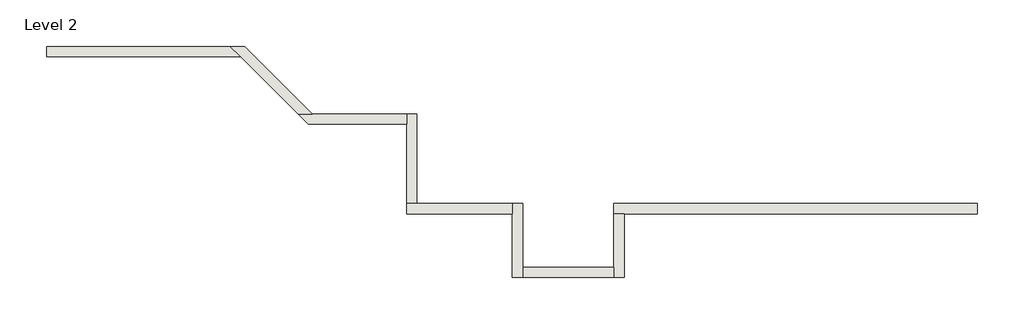
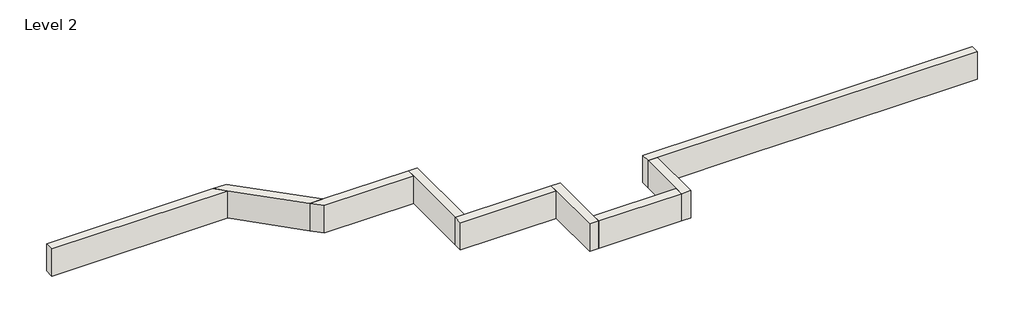
# One storey: 9 walls.
"""IFC4 building model written with IfcOpenShell, lengths in millimetres."""

from ifc_helpers import new_model, si_unit, frame, origin, place, context, project, spatial, polyline, outline, extrude, faceted_brep, element, save

model = new_model("IFC4")

# Units and contexts
model_context = context("Model", 3, world=origin())
ifc_project = project(units=[si_unit("LENGTHUNIT", "METRE", prefix="MILLI")], contexts=[model_context])

# Site, building, storey
site = spatial("IfcSite", under=ifc_project)
building = spatial("IfcBuilding", under=site)
storey = spatial("IfcBuildingStorey", under=building, Name="Level 2", Elevation=3048.0)

# Walls
placement = place(None, origin())
element("IfcWall", 1, ObjectType="Generic - 8\" Brick", at=placement, inside=storey, context=model_context, shape_type="Brep", body=[
    faceted_brep([(8889.929282, 1412.8726187, 3048.0), (8280.329282, 1412.8726187, 3048.0), (5181.529282, 1412.8726187, 3048.0), (4153.0141138, 1412.8726187, 3048.0), (1939.882857, 1412.8726187, 3048.0), (1939.882857, 1412.8726187, 3657.6), (8889.929282, 1412.8726187, 3657.6), (8889.929282, 1219.1976187, 3048.0), (8889.929282, 1219.1976187, 3657.6), (2133.557857, 1219.1976187, 3657.6), (1939.882857, 1219.1976187, 3657.6), (1939.882857, 1219.1976187, 3048.0), (2133.557857, 1219.1976187, 3048.0), (4153.0141138, 1219.1976187, 3048.0), (5181.529282, 1219.1976187, 3048.0), (8280.329282, 1219.1976187, 3048.0)], [[[0, 1, 2, 3, 4, 5, 6]], [[7, 8, 9, 10, 11, 12, 13, 14, 15]], [[4, 3, 2, 1, 0, 7, 15, 14, 13, 12, 11]], [[6, 5, 10, 9, 8]], [[0, 6, 8, 7]], [[5, 4, 11, 10]]]),
])
element("IfcWall", 2, ObjectType="Generic - 8\" Brick", at=placement, inside=storey, context=model_context, shape_type="Brep", body=[
    faceted_brep([(1939.882857, 1219.1976187, 3048.0), (1939.882857, 193.675, 3048.0), (1939.882857, 0.0, 3048.0), (1939.882857, 0.0, 3657.6), (1939.882857, 193.675, 3657.6), (1939.882857, 1219.1976187, 3657.6), (2133.557857, 1219.1976187, 3048.0), (2133.557857, 1219.1976187, 3657.6), (2133.557857, 0.0, 3657.6), (2133.557857, 0.0, 3048.0)], [[[0, 1, 2, 3, 4, 5]], [[6, 7, 8, 9]], [[2, 1, 0, 6, 9]], [[5, 4, 3, 8, 7]], [[0, 5, 7, 6]], [[3, 2, 9, 8]]]),
])
element("IfcWall", 3, ObjectType="Generic - 8\" Brick", at=placement, inside=storey, context=model_context, shape_type="SweptSolid", body=[
    extrude(outline(polyline([(193.632857, 193.675), (1939.882857, 193.675), (1939.882857, 0.0), (193.632857, 0.0), (193.632857, 193.675)])), frame((0.0, 0.0, 3048.0), z_axis=(0.0, 0.0, 1.0), x_axis=(1.0, 0.0, 0.0)), (0.0, 0.0, 1.0), 609.6),
])
element("IfcWall", 4, ObjectType="Generic - 8\" Brick", at=placement, inside=storey, context=model_context, shape_type="Brep", body=[
    faceted_brep([(193.632857, 0.0, 3048.0), (193.632857, 193.675, 3048.0), (193.632857, 1412.8726187, 3048.0), (193.632857, 1412.8726187, 3657.6), (193.632857, 193.675, 3657.6), (193.632857, 0.0, 3657.6), (-0.042143, 0.0, 3048.0), (-0.042143, 0.0, 3657.6), (-0.042143, 1219.1976187, 3657.6), (-0.042143, 1412.8726187, 3657.6), (-0.042143, 1412.8726187, 3048.0), (-0.042143, 1219.1976187, 3048.0)], [[[0, 1, 2, 3, 4, 5]], [[6, 7, 8, 9, 10, 11]], [[2, 1, 0, 6, 11, 10]], [[5, 4, 3, 9, 8, 7]], [[0, 5, 7, 6]], [[3, 2, 10, 9]]]),
])
element("IfcWall", 5, ObjectType="Generic - 8\" Brick", at=placement, inside=storey, context=model_context, shape_type="Brep", body=[
    faceted_brep([(-0.042143, 1412.8726187, 3048.0), (-1825.698893, 1412.8726187, 3048.0), (-2019.373893, 1412.8726187, 3048.0), (-2019.373893, 1412.8726187, 3657.6), (-1825.698893, 1412.8726187, 3657.6), (-0.042143, 1412.8726187, 3657.6), (-0.042143, 1219.1976187, 3048.0), (-0.042143, 1219.1976187, 3657.6), (-2019.373893, 1219.1976187, 3657.6), (-2019.373893, 1219.1976187, 3048.0)], [[[0, 1, 2, 3, 4, 5]], [[6, 7, 8, 9]], [[2, 1, 0, 6, 9]], [[5, 4, 3, 8, 7]], [[0, 5, 7, 6]], [[3, 2, 9, 8]]]),
])
element("IfcWall", 6, ObjectType="Generic - 8\" Brick", at=placement, inside=storey, context=model_context, shape_type="Brep", body=[
    faceted_brep([(-1825.698893, 1412.8726187, 3048.0), (-1825.698893, 3127.3304754, 3048.0), (-1825.698893, 3127.3304754, 3657.6), (-1825.698893, 1412.8726187, 3657.6), (-2019.373893, 1412.8726187, 3048.0), (-2019.373893, 1412.8726187, 3657.6), (-2019.373893, 2933.6554754, 3657.6), (-2019.373893, 3127.3304754, 3657.6), (-2019.373893, 3127.3304754, 3048.0), (-2019.373893, 2933.6554754, 3048.0)], [[[0, 1, 2, 3]], [[4, 5, 6, 7, 8, 9]], [[1, 0, 4, 9, 8]], [[3, 2, 7, 6, 5]], [[0, 3, 5, 4]], [[2, 1, 8, 7]]]),
])
element("IfcWall", 7, ObjectType="Generic - 8\" Brick", at=placement, inside=storey, context=model_context, shape_type="Brep", body=[
    faceted_brep([(-2019.373893, 3127.3304754, 3048.0), (-3823.8410415, 3127.3304754, 3048.0), (-4097.7388532, 3127.3304754, 3048.0), (-4097.7388532, 3127.3304754, 3657.6), (-3823.8410415, 3127.3304754, 3657.6), (-2019.373893, 3127.3304754, 3657.6), (-2019.373893, 2933.6554754, 3048.0), (-2019.373893, 2933.6554754, 3657.6), (-3904.0638532, 2933.6554754, 3657.6), (-3904.0638532, 2933.6554754, 3048.0)], [[[0, 1, 2, 3, 4, 5]], [[6, 7, 8, 9]], [[2, 1, 0, 6, 9]], [[5, 4, 3, 8, 7]], [[0, 5, 7, 6]], [[3, 2, 9, 8]]]),
])
element("IfcWall", 8, ObjectType="Generic - 8\" Brick", at=placement, inside=storey, context=model_context, shape_type="Brep", body=[
    faceted_brep([(-3823.8410415, 3127.3304754, 3048.0), (-5116.9318975, 4420.4213314, 3048.0), (-5116.9318975, 4420.4213314, 3657.6), (-3823.8410415, 3127.3304754, 3657.6), (-4097.7388532, 3127.3304754, 3048.0), (-4097.7388532, 3127.3304754, 3657.6), (-5197.1547092, 4226.7463314, 3657.6), (-5390.8297092, 4420.4213314, 3657.6), (-5390.8297092, 4420.4213314, 3048.0), (-5197.1547092, 4226.7463314, 3048.0)], [[[0, 1, 2, 3]], [[4, 5, 6, 7, 8, 9]], [[1, 0, 4, 9, 8]], [[3, 2, 7, 6, 5]], [[0, 3, 5, 4]], [[2, 1, 8, 7]]]),
])
element("IfcWall", 9, ObjectType="Generic - 8\" Brick", at=placement, inside=storey, context=model_context, shape_type="SweptSolid", body=[
    extrude(outline(polyline([(-8905.449499, 4420.4213314), (-5390.8297092, 4420.4213314), (-5197.1547092, 4226.7463314), (-8905.449499, 4226.7463314), (-8905.449499, 4420.4213314)])), frame((0.0, 0.0, 3048.0), z_axis=(0.0, 0.0, 1.0), x_axis=(1.0, 0.0, 0.0)), (0.0, 0.0, 1.0), 609.6),
])

save(model, "model.ifc")
